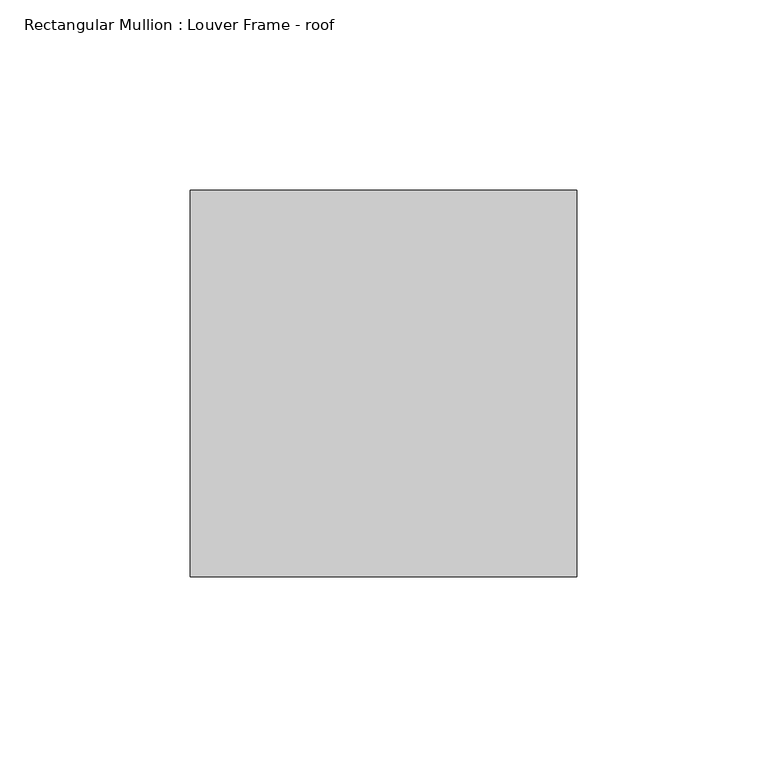
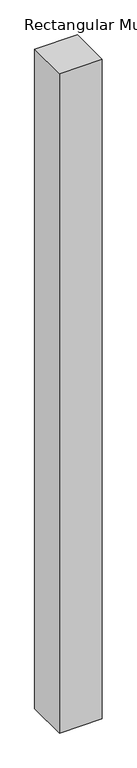
"""IFC4 building model written with IfcOpenShell, lengths in millimetres: member geometry, Rectangular Mullion : Louver Frame - roof."""

import ifcopenshell
import ifcopenshell.guid

model = None  # the IFC model being written
_history = None  # IfcOwnerHistory: only IFC2X3 demands one
_inside = {}  # id of a spatial element -> (the spatial element, [elements in it])
_under = {}  # id of a project, library or spatial element -> (it, [spatial elements below it])
_declared = {}  # id of a project -> (the project, [libraries it declares])
_typed = {}  # id of a type object -> (the type object, [elements of that type])
_made_of = {}  # id of a material, layer set ... -> (it, [elements and type objects made of it])


def new_model(schema):
    """Start an empty IFC model of exactly this schema.

    Asked for "IFC4X3", IfcOpenShell would pick the latest addendum, in which some entities
    have other attributes; the version numbers below select the first issue.
    IFC2X3 requires an IfcOwnerHistory on every rooted entity: one is made here for all.
    """
    global model, _history
    if schema == "IFC4X3":
        model = ifcopenshell.file(schema_version=(4, 3, 0, 0))
    else:
        model = ifcopenshell.file(schema=schema)
    _inside.clear()
    _under.clear()
    _declared.clear()
    _typed.clear()
    _made_of.clear()
    _history = None
    if model.schema == "IFC2X3":
        org = make("IfcOrganization", Name="unknown")
        user = make(
            "IfcPersonAndOrganization",
            ThePerson=make("IfcPerson", FamilyName="unknown"),
            TheOrganization=org,
        )
        app = make(
            "IfcApplication",
            ApplicationDeveloper=org,
            Version="unknown",
            ApplicationFullName="unknown",
            ApplicationIdentifier="unknown",
        )
        _history = make(
            "IfcOwnerHistory",
            OwningUser=user,
            OwningApplication=app,
            ChangeAction="ADDED",
            CreationDate=0,
        )
    return model


def make(cls, **values):
    """One entity of the class cls with the attributes given. An attribute that is None is left unset."""
    return model.create_entity(
        cls, **{name: value for name, value in values.items() if value is not None}
    )


def rooted(cls, **values):
    """An entity with a GlobalId (a new one), such as an element, a storey or a relation."""
    return make(cls, GlobalId=ifcopenshell.guid.new(), OwnerHistory=_history, **values)


def si_unit(unit_type, name, prefix=None):
    """IfcSIUnit, for example si_unit("LENGTHUNIT", "METRE", prefix="MILLI")."""
    return make("IfcSIUnit", UnitType=unit_type, Prefix=prefix, Name=name)


def assignment(units):
    """IfcUnitAssignment: the units of a project."""
    return None if units is None else make("IfcUnitAssignment", Units=units)


def point(xyz):
    """IfcCartesianPoint."""
    return None if xyz is None else make("IfcCartesianPoint", Coordinates=xyz)


def direction(xyz):
    """IfcDirection."""
    return None if xyz is None else make("IfcDirection", DirectionRatios=xyz)


def frame(location, z_axis=None, x_axis=None):
    """IfcAxis2Placement3D, a coordinate frame: its origin and axes. An axis left out is left unset."""
    return make(
        "IfcAxis2Placement3D",
        Location=point(location),
        Axis=direction(z_axis),
        RefDirection=direction(x_axis),
    )


def origin():
    """The frame at (0, 0, 0) with its axes left unset."""
    return frame((0.0, 0.0, 0.0))


def place(relative_to, where):
    """IfcLocalPlacement: puts the frame where relative to a parent placement (None: the world)."""
    return make(
        "IfcLocalPlacement", PlacementRelTo=relative_to, RelativePlacement=where
    )


def context(
    kind, dimensions, precision=None, world=None, true_north=None, identifier=None
):
    """IfcGeometricRepresentationContext, for example the 3D "Model" context."""
    return make(
        "IfcGeometricRepresentationContext",
        ContextIdentifier=identifier,
        ContextType=kind,
        CoordinateSpaceDimension=dimensions,
        Precision=precision,
        WorldCoordinateSystem=world,
        TrueNorth=true_north,
    )


def project(units=None, contexts=None):
    """IfcProject with its units and contexts."""
    return rooted(
        "IfcProject",
        Name="project",
        RepresentationContexts=contexts,
        UnitsInContext=assignment(units),
    )


def spatial(cls, under=None, at=None, **own):
    """A site, building, storey or space (cls), placed at a placement, below another one or the project."""
    s = rooted(cls, ObjectPlacement=at, **own)
    if under is not None:
        _under.setdefault(under.id(), (under, []))[1].append(s)
    return s


def polyline(points):
    """IfcPolyline through the points."""
    return make("IfcPolyline", Points=[point(p) for p in points])


def outline(outer, holes=None, kind="AREA"):
    """IfcArbitraryClosedProfileDef: a profile drawn as a closed curve; with holes, ...WithVoids."""
    if holes is None:
        return make("IfcArbitraryClosedProfileDef", ProfileType=kind, OuterCurve=outer)
    return make(
        "IfcArbitraryProfileDefWithVoids",
        ProfileType=kind,
        OuterCurve=outer,
        InnerCurves=holes,
    )


def extrude(swept, where, along, depth):
    """IfcExtrudedAreaSolid: the profile swept, set in the frame where, extruded along a direction by depth."""
    return make(
        "IfcExtrudedAreaSolid",
        SweptArea=swept,
        Position=where,
        ExtrudedDirection=direction(along),
        Depth=depth,
    )


def shape(context_of_items, identifier, shape_type, items):
    """IfcShapeRepresentation: the items that make up one representation, for example the "Body"."""
    return make(
        "IfcShapeRepresentation",
        ContextOfItems=context_of_items,
        RepresentationIdentifier=identifier,
        RepresentationType=shape_type,
        Items=items,
    )


def source(mapping_origin, context_of_items, identifier, shape_type, items):
    """IfcRepresentationMap: a shape defined once, which mapped items show again and again."""
    return make(
        "IfcRepresentationMap",
        MappingOrigin=mapping_origin,
        MappedRepresentation=shape(context_of_items, identifier, shape_type, items),
    )


def transform(
    local_origin,
    x_axis=None,
    y_axis=None,
    z_axis=None,
    scale=None,
    scale2=None,
    scale3=None,
    uniform=True,
):
    """IfcCartesianTransformationOperator3D, or its non-uniform kind. x_axis, y_axis, z_axis: its Axis1, 2, 3."""
    if uniform:
        return make(
            "IfcCartesianTransformationOperator3D",
            Axis1=direction(x_axis),
            Axis2=direction(y_axis),
            LocalOrigin=point(local_origin),
            Scale=scale,
            Axis3=direction(z_axis),
        )
    return make(
        "IfcCartesianTransformationOperator3DnonUniform",
        Axis1=direction(x_axis),
        Axis2=direction(y_axis),
        LocalOrigin=point(local_origin),
        Scale=scale,
        Axis3=direction(z_axis),
        Scale2=scale2,
        Scale3=scale3,
    )


def mapped(mapping_source, mapping_target):
    """IfcMappedItem: shows the shape of a source again, moved by a transform."""
    return make(
        "IfcMappedItem", MappingSource=mapping_source, MappingTarget=mapping_target
    )


def made_of(thing, what):
    """Note that an element or type object is made of a material, layer set ...; save() writes the relation."""
    if what is not None:
        _made_of.setdefault(what.id(), (what, []))[1].append(thing)
    return thing


def element(
    cls,
    number,
    at=None,
    inside=None,
    cuts=None,
    type_object=None,
    material=None,
    context=None,
    identifier="Body",
    shape_type=None,
    held_by="IfcProductDefinitionShape",
    body=None,
    shapes=None,
    **own,
):
    """One element of the class cls, such as IfcWall. Its Tag is "e" and its number.

    at: its placement. inside: the storey or other place that contains it. cuts: it is an
    opening in that element (IfcRelVoidsElement). A single representation is given by context,
    identifier, shape_type and body (its items); several are given by shapes. held_by: the class
    of the entity that holds the representations. save() writes the other relations.
    """
    e = rooted(cls, Tag="e%d" % number, ObjectPlacement=at, **own)
    if body is not None:
        shapes = [shape(context, identifier, shape_type, body)]
    if shapes is not None:
        e.Representation = make(held_by, Representations=shapes)
    if inside is not None:
        _inside.setdefault(inside.id(), (inside, []))[1].append(e)
    if cuts is not None:
        rooted(
            "IfcRelVoidsElement", RelatingBuildingElement=cuts, RelatedOpeningElement=e
        )
    if type_object is not None:
        _typed.setdefault(type_object.id(), (type_object, []))[1].append(e)
    return made_of(e, material)


def aggregate(whole, parts):
    """IfcRelAggregates: a whole, such as a stair, and the parts it consists of."""
    return rooted("IfcRelAggregates", RelatingObject=whole, RelatedObjects=parts)


def save(model, path):
    """Write the relations noted so far, then the file.

    IfcRelAggregates (storeys below a building ...), IfcRelContainedInSpatialStructure (elements
    in a storey), IfcRelDefinesByType, IfcRelAssociatesMaterial and IfcRelDeclares: one each for
    every whole, place, type object, material and project.
    """
    for whole, parts in _under.values():
        aggregate(whole, parts)
    for where, things in _inside.values():
        rooted(
            "IfcRelContainedInSpatialStructure",
            RelatedElements=things,
            RelatingStructure=where,
        )
    for kind, things in _typed.values():
        rooted("IfcRelDefinesByType", RelatedObjects=things, RelatingType=kind)
    for what, things in _made_of.values():
        rooted("IfcRelAssociatesMaterial", RelatedObjects=things, RelatingMaterial=what)
    for by, libraries in _declared.values():
        rooted("IfcRelDeclares", RelatingContext=by, RelatedDefinitions=libraries)
    model.write(path)


def rectangular_mullion_louver_frame_roof_c793f5dc(model_context):
    return source(origin(), model_context, "Body", "SweptSolid", [
        extrude(outline(polyline([(25.4, -25.4), (25.4, -127.0), (-76.2, -127.0), (-76.2, -25.4), (25.4, -25.4)])), frame((0.0, 0.0, -1660.5947001), z_axis=(0.0, 0.0, 1.0), x_axis=(1.0, 0.0, 0.0)), (0.0, 0.0, 1.0), 1660.5947001),
    ])


if __name__ == "__main__":
    model = new_model("IFC4")
    model_context = context("Model", 3, world=origin())
    ifc_project = project(units=[si_unit("LENGTHUNIT", "METRE", prefix="MILLI")], contexts=[model_context])
    site = spatial("IfcSite", under=ifc_project)
    building = spatial("IfcBuilding", under=site)
    placement = place(None, origin())
    rectangular_mullion_louver_frame_roof_shape = rectangular_mullion_louver_frame_roof_c793f5dc(model_context)
    element("IfcMember", 1, ObjectType="Rectangular Mullion : Louver Frame - roof", at=placement, inside=building, context=model_context, shape_type="MappedRepresentation", body=[
        mapped(rectangular_mullion_louver_frame_roof_shape, transform((0.0, 0.0, 0.0), x_axis=(1.0, 0.0, 0.0), y_axis=(0.0, 1.0, 0.0), z_axis=(0.0, 0.0, 1.0))),
    ])
    save(model, "model.ifc")
